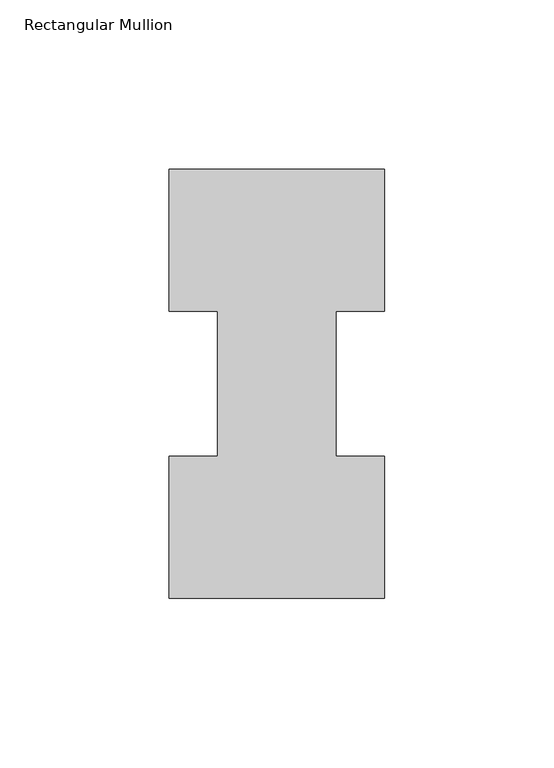
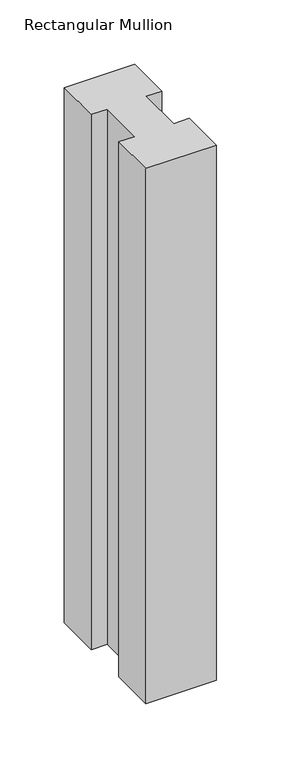
"""IFC4 building model written with IfcOpenShell, lengths in millimetres: member geometry, Rectangular Mullion."""

from ifc_helpers import new_model, si_unit, frame, origin, place, context, project, spatial, polyline, outline, extrude, source, transform, mapped, element, save


def rectangular_mullion_f46b805e(model_context):
    return source(origin(), model_context, "Body", "SweptSolid", [
        extrude(outline(polyline([(-63.5, 0.26035), (-63.5, 42.08145), (-49.2125, 42.08145), (-49.2125, 84.93125), (-63.5, 84.93125), (-63.5, 126.75235), (0.0, 126.75235), (0.0, 84.93125), (-14.2748, 84.93125), (-14.2748, 42.08145), (0.0, 42.08145), (0.0, 0.26035), (-63.5, 0.26035)])), frame((0.0, 0.0, -508.1521157), z_axis=(0.0, 0.0, 1.0), x_axis=(1.0, 0.0, 0.0)), (0.0, 0.0, 1.0), 508.1521157),
    ])


if __name__ == "__main__":
    model = new_model("IFC4")
    model_context = context("Model", 3, world=origin())
    ifc_project = project(units=[si_unit("LENGTHUNIT", "METRE", prefix="MILLI")], contexts=[model_context])
    site = spatial("IfcSite", under=ifc_project)
    building = spatial("IfcBuilding", under=site)
    placement = place(None, origin())
    rectangular_mullion_shape = rectangular_mullion_f46b805e(model_context)
    element("IfcMember", 1, ObjectType="Rectangular Mullion", at=placement, inside=building, context=model_context, shape_type="MappedRepresentation", body=[
        mapped(rectangular_mullion_shape, transform((0.0, 0.0, 0.0), x_axis=(1.0, 0.0, 0.0), y_axis=(0.0, 1.0, 0.0), z_axis=(0.0, 0.0, 1.0))),
    ])
    save(model, "model.ifc")
